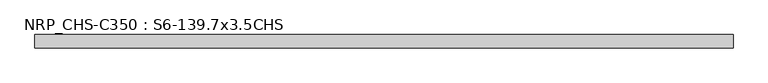
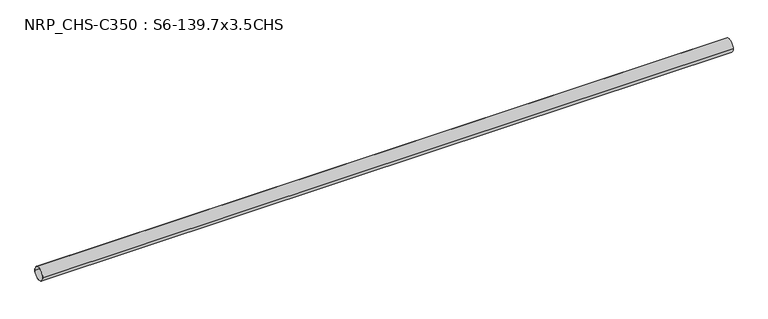
"""IFC4 building model written with IfcOpenShell, lengths in millimetres: beam geometry, NRP_CHS-C350 : S6-139.7x3.5CHS."""

from ifc_helpers import new_model, si_unit, point, frame, origin, origin_2d, place, context, project, spatial, circle_curve, trimmed, segment, composite_curve, outline, extrude, source, transform, mapped, element, save


def nrp_chs_c350_s6_139_7x3_5chs_41c80e7c(model_context):
    return source(origin(), model_context, "Body", "SweptSolid", [
        extrude(outline(composite_curve([segment(trimmed(circle_curve(origin_2d(), 69.85), [point((69.85, 0.0))], [point((-69.85, 0.0))], False, "CARTESIAN"), True, "CONTINUOUS"), segment(trimmed(circle_curve(origin_2d(), 69.85), [point((-69.85, 0.0))], [point((69.85, 0.0))], False, "CARTESIAN"), True, "CONTINUOUS")], self_intersect=False), holes=[composite_curve([segment(trimmed(circle_curve(origin_2d(), 66.35), [point((-66.35, 0.0))], [point((66.35, 0.0))], True, "CARTESIAN"), True, "CONTINUOUS"), segment(trimmed(circle_curve(origin_2d(), 66.35), [point((66.35, 0.0))], [point((-66.35, 0.0))], True, "CARTESIAN"), True, "CONTINUOUS")], self_intersect=False)]), frame((-3600.55, 0.0, 0.0), z_axis=(1.0, 0.0, 0.0), x_axis=(0.0, 1.0, 0.0)), (0.0, 0.0, 1.0), 7204.6),
    ])


if __name__ == "__main__":
    model = new_model("IFC4")
    model_context = context("Model", 3, world=origin())
    ifc_project = project(units=[si_unit("LENGTHUNIT", "METRE", prefix="MILLI")], contexts=[model_context])
    site = spatial("IfcSite", under=ifc_project)
    building = spatial("IfcBuilding", under=site)
    placement = place(None, origin())
    nrp_chs_c350_s6_139_7x3_5chs_shape = nrp_chs_c350_s6_139_7x3_5chs_41c80e7c(model_context)
    element("IfcBeam", 1, ObjectType="NRP_CHS-C350 : S6-139.7x3.5CHS", at=placement, inside=building, context=model_context, shape_type="MappedRepresentation", body=[
        mapped(nrp_chs_c350_s6_139_7x3_5chs_shape, transform((0.0, 0.0, 0.0), x_axis=(1.0, 0.0, 0.0), y_axis=(0.0, 1.0, 0.0), z_axis=(0.0, 0.0, 1.0))),
    ])
    save(model, "model.ifc")
